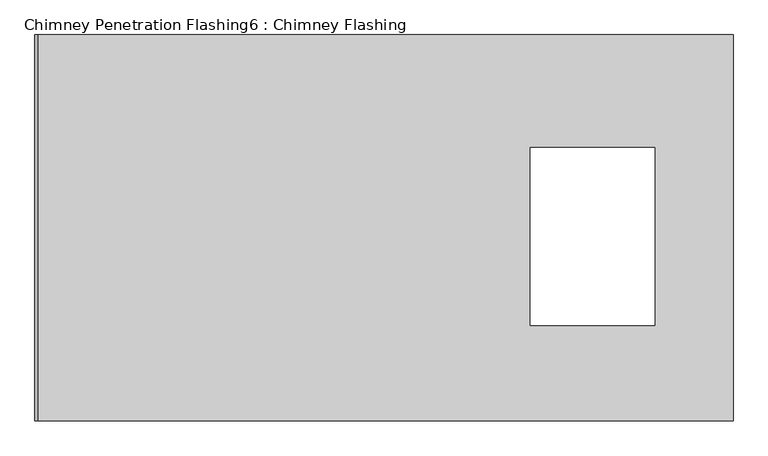
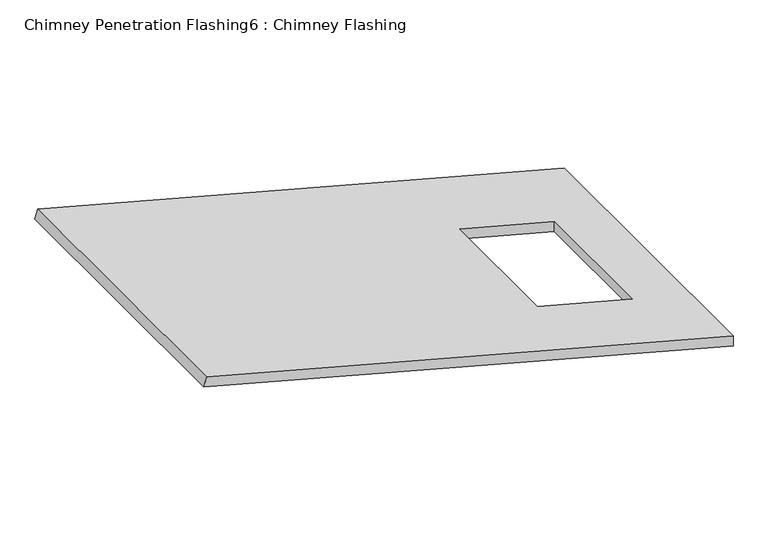
"""IFC4 building model written with IfcOpenShell, lengths in millimetres: proxy geometry, Chimney Penetration Flashing6 : Chimney Flashing."""

import ifcopenshell
import ifcopenshell.guid

model = None  # the IFC model being written
_history = None  # IfcOwnerHistory: only IFC2X3 demands one
_inside = {}  # id of a spatial element -> (the spatial element, [elements in it])
_under = {}  # id of a project, library or spatial element -> (it, [spatial elements below it])
_declared = {}  # id of a project -> (the project, [libraries it declares])
_typed = {}  # id of a type object -> (the type object, [elements of that type])
_made_of = {}  # id of a material, layer set ... -> (it, [elements and type objects made of it])


def new_model(schema):
    """Start an empty IFC model of exactly this schema.

    Asked for "IFC4X3", IfcOpenShell would pick the latest addendum, in which some entities
    have other attributes; the version numbers below select the first issue.
    IFC2X3 requires an IfcOwnerHistory on every rooted entity: one is made here for all.
    """
    global model, _history
    if schema == "IFC4X3":
        model = ifcopenshell.file(schema_version=(4, 3, 0, 0))
    else:
        model = ifcopenshell.file(schema=schema)
    _inside.clear()
    _under.clear()
    _declared.clear()
    _typed.clear()
    _made_of.clear()
    _history = None
    if model.schema == "IFC2X3":
        org = make("IfcOrganization", Name="unknown")
        user = make(
            "IfcPersonAndOrganization",
            ThePerson=make("IfcPerson", FamilyName="unknown"),
            TheOrganization=org,
        )
        app = make(
            "IfcApplication",
            ApplicationDeveloper=org,
            Version="unknown",
            ApplicationFullName="unknown",
            ApplicationIdentifier="unknown",
        )
        _history = make(
            "IfcOwnerHistory",
            OwningUser=user,
            OwningApplication=app,
            ChangeAction="ADDED",
            CreationDate=0,
        )
    return model


def make(cls, **values):
    """One entity of the class cls with the attributes given. An attribute that is None is left unset."""
    return model.create_entity(
        cls, **{name: value for name, value in values.items() if value is not None}
    )


def rooted(cls, **values):
    """An entity with a GlobalId (a new one), such as an element, a storey or a relation."""
    return make(cls, GlobalId=ifcopenshell.guid.new(), OwnerHistory=_history, **values)


def si_unit(unit_type, name, prefix=None):
    """IfcSIUnit, for example si_unit("LENGTHUNIT", "METRE", prefix="MILLI")."""
    return make("IfcSIUnit", UnitType=unit_type, Prefix=prefix, Name=name)


def assignment(units):
    """IfcUnitAssignment: the units of a project."""
    return None if units is None else make("IfcUnitAssignment", Units=units)


def point(xyz):
    """IfcCartesianPoint."""
    return None if xyz is None else make("IfcCartesianPoint", Coordinates=xyz)


def direction(xyz):
    """IfcDirection."""
    return None if xyz is None else make("IfcDirection", DirectionRatios=xyz)


def frame(location, z_axis=None, x_axis=None):
    """IfcAxis2Placement3D, a coordinate frame: its origin and axes. An axis left out is left unset."""
    return make(
        "IfcAxis2Placement3D",
        Location=point(location),
        Axis=direction(z_axis),
        RefDirection=direction(x_axis),
    )


def origin():
    """The frame at (0, 0, 0) with its axes left unset."""
    return frame((0.0, 0.0, 0.0))


def place(relative_to, where):
    """IfcLocalPlacement: puts the frame where relative to a parent placement (None: the world)."""
    return make(
        "IfcLocalPlacement", PlacementRelTo=relative_to, RelativePlacement=where
    )


def context(
    kind, dimensions, precision=None, world=None, true_north=None, identifier=None
):
    """IfcGeometricRepresentationContext, for example the 3D "Model" context."""
    return make(
        "IfcGeometricRepresentationContext",
        ContextIdentifier=identifier,
        ContextType=kind,
        CoordinateSpaceDimension=dimensions,
        Precision=precision,
        WorldCoordinateSystem=world,
        TrueNorth=true_north,
    )


def project(units=None, contexts=None):
    """IfcProject with its units and contexts."""
    return rooted(
        "IfcProject",
        Name="project",
        RepresentationContexts=contexts,
        UnitsInContext=assignment(units),
    )


def spatial(cls, under=None, at=None, **own):
    """A site, building, storey or space (cls), placed at a placement, below another one or the project."""
    s = rooted(cls, ObjectPlacement=at, **own)
    if under is not None:
        _under.setdefault(under.id(), (under, []))[1].append(s)
    return s


def faces_of(points, faces, orient=None, outer=None):
    """IfcFace entities. A face is a list of loops; a loop is a list of indices into points, from 0.

    orient and outer hold one flag for each loop. By default every Orientation is true, the
    first loop of a face is its IfcFaceOuterBound and the others are IfcFaceBound.
    """
    made = []
    for i, loops in enumerate(faces):
        bounds = []
        for j, loop in enumerate(loops):
            is_outer = j == 0 if outer is None else outer[i][j]
            bounds.append(
                make(
                    "IfcFaceOuterBound" if is_outer else "IfcFaceBound",
                    Bound=make("IfcPolyLoop", Polygon=[points[k] for k in loop]),
                    Orientation=True if orient is None else orient[i][j],
                )
            )
        made.append(make("IfcFace", Bounds=bounds))
    return made


def faceted_brep(points, faces, orient=None, outer=None, voids=None):
    """IfcFacetedBrep: a solid bounded by flat faces; with voids (closed shells), ...WithVoids."""
    shared = [point(p) for p in points]
    hull = make("IfcClosedShell", CfsFaces=faces_of(shared, faces, orient, outer))
    if voids is None:
        return make("IfcFacetedBrep", Outer=hull)
    return make(
        "IfcFacetedBrepWithVoids",
        Outer=hull,
        Voids=[
            make(cls, CfsFaces=faces_of(shared, fs, o, b)) for cls, fs, o, b in voids
        ],
    )


def shape(context_of_items, identifier, shape_type, items):
    """IfcShapeRepresentation: the items that make up one representation, for example the "Body"."""
    return make(
        "IfcShapeRepresentation",
        ContextOfItems=context_of_items,
        RepresentationIdentifier=identifier,
        RepresentationType=shape_type,
        Items=items,
    )


def source(mapping_origin, context_of_items, identifier, shape_type, items):
    """IfcRepresentationMap: a shape defined once, which mapped items show again and again."""
    return make(
        "IfcRepresentationMap",
        MappingOrigin=mapping_origin,
        MappedRepresentation=shape(context_of_items, identifier, shape_type, items),
    )


def transform(
    local_origin,
    x_axis=None,
    y_axis=None,
    z_axis=None,
    scale=None,
    scale2=None,
    scale3=None,
    uniform=True,
):
    """IfcCartesianTransformationOperator3D, or its non-uniform kind. x_axis, y_axis, z_axis: its Axis1, 2, 3."""
    if uniform:
        return make(
            "IfcCartesianTransformationOperator3D",
            Axis1=direction(x_axis),
            Axis2=direction(y_axis),
            LocalOrigin=point(local_origin),
            Scale=scale,
            Axis3=direction(z_axis),
        )
    return make(
        "IfcCartesianTransformationOperator3DnonUniform",
        Axis1=direction(x_axis),
        Axis2=direction(y_axis),
        LocalOrigin=point(local_origin),
        Scale=scale,
        Axis3=direction(z_axis),
        Scale2=scale2,
        Scale3=scale3,
    )


def mapped(mapping_source, mapping_target):
    """IfcMappedItem: shows the shape of a source again, moved by a transform."""
    return make(
        "IfcMappedItem", MappingSource=mapping_source, MappingTarget=mapping_target
    )


def made_of(thing, what):
    """Note that an element or type object is made of a material, layer set ...; save() writes the relation."""
    if what is not None:
        _made_of.setdefault(what.id(), (what, []))[1].append(thing)
    return thing


def element(
    cls,
    number,
    at=None,
    inside=None,
    cuts=None,
    type_object=None,
    material=None,
    context=None,
    identifier="Body",
    shape_type=None,
    held_by="IfcProductDefinitionShape",
    body=None,
    shapes=None,
    **own,
):
    """One element of the class cls, such as IfcWall. Its Tag is "e" and its number.

    at: its placement. inside: the storey or other place that contains it. cuts: it is an
    opening in that element (IfcRelVoidsElement). A single representation is given by context,
    identifier, shape_type and body (its items); several are given by shapes. held_by: the class
    of the entity that holds the representations. save() writes the other relations.
    """
    e = rooted(cls, Tag="e%d" % number, ObjectPlacement=at, **own)
    if body is not None:
        shapes = [shape(context, identifier, shape_type, body)]
    if shapes is not None:
        e.Representation = make(held_by, Representations=shapes)
    if inside is not None:
        _inside.setdefault(inside.id(), (inside, []))[1].append(e)
    if cuts is not None:
        rooted(
            "IfcRelVoidsElement", RelatingBuildingElement=cuts, RelatedOpeningElement=e
        )
    if type_object is not None:
        _typed.setdefault(type_object.id(), (type_object, []))[1].append(e)
    return made_of(e, material)


def aggregate(whole, parts):
    """IfcRelAggregates: a whole, such as a stair, and the parts it consists of."""
    return rooted("IfcRelAggregates", RelatingObject=whole, RelatedObjects=parts)


def save(model, path):
    """Write the relations noted so far, then the file.

    IfcRelAggregates (storeys below a building ...), IfcRelContainedInSpatialStructure (elements
    in a storey), IfcRelDefinesByType, IfcRelAssociatesMaterial and IfcRelDeclares: one each for
    every whole, place, type object, material and project.
    """
    for whole, parts in _under.values():
        aggregate(whole, parts)
    for where, things in _inside.values():
        rooted(
            "IfcRelContainedInSpatialStructure",
            RelatedElements=things,
            RelatingStructure=where,
        )
    for kind, things in _typed.values():
        rooted("IfcRelDefinesByType", RelatedObjects=things, RelatingType=kind)
    for what, things in _made_of.values():
        rooted("IfcRelAssociatesMaterial", RelatedObjects=things, RelatingMaterial=what)
    for by, libraries in _declared.values():
        rooted("IfcRelDeclares", RelatingContext=by, RelatedDefinitions=libraries)
    model.write(path)


def chimney_penetration_flashing6_chimney_flashing_78857e9b(model_context):
    return source(origin(), model_context, "Body", "Brep", [
        faceted_brep([(37863.2977455, -14263.9911929, 3407.6723492), (37863.2977455, -14263.9911929, 3446.4712036), (35912.7352215, -14263.9911929, 3969.1228567), (35903.0355079, -14263.9911929, 3932.9230327), (37863.2977455, -13178.9911929, 3407.6723492), (35903.0355079, -13178.9911929, 3932.9230327), (35912.7352215, -13178.9911929, 3969.1228567), (37863.2977455, -13178.9911929, 3446.4712036), (37643.9513043, -13495.6517983, 3505.2449054), (37643.9513043, -13995.6517983, 3505.2449054), (37293.9513043, -13995.6517983, 3599.0271228), (37293.9513043, -13495.6517983, 3599.0271228), (37643.9513043, -13995.6517983, 3466.446051), (37643.9513043, -13495.6517983, 3466.446051), (37293.9513043, -13495.6517983, 3560.2282683), (37293.9513043, -13995.6517983, 3560.2282683)], [[[0, 1, 2, 3]], [[4, 5, 6, 7]], [[1, 0, 4, 7]], [[2, 1, 7, 6], [8, 9, 10, 11]], [[3, 2, 6, 5]], [[0, 3, 5, 4], [12, 13, 14, 15]], [[12, 9, 8, 13]], [[13, 8, 11, 14]], [[14, 11, 10, 15]], [[9, 12, 15, 10]]]),
    ])


if __name__ == "__main__":
    model = new_model("IFC4")
    model_context = context("Model", 3, world=origin())
    ifc_project = project(units=[si_unit("LENGTHUNIT", "METRE", prefix="MILLI")], contexts=[model_context])
    site = spatial("IfcSite", under=ifc_project)
    building = spatial("IfcBuilding", under=site)
    placement = place(None, origin())
    chimney_penetration_flashing6_chimney_flashing_shape = chimney_penetration_flashing6_chimney_flashing_78857e9b(model_context)
    element("IfcBuildingElementProxy", 1, Name="Chimney Penetration Flashing6 : Chimney Flashing", ObjectType="Chimney Penetration Flashing6 : Chimney Flashing", at=placement, inside=building, context=model_context, shape_type="MappedRepresentation", body=[
        mapped(chimney_penetration_flashing6_chimney_flashing_shape, transform((0.0, 0.0, 0.0), x_axis=(1.0, 0.0, 0.0), y_axis=(0.0, 1.0, 0.0), z_axis=(0.0, 0.0, 1.0))),
    ])
    save(model, "model.ifc")
